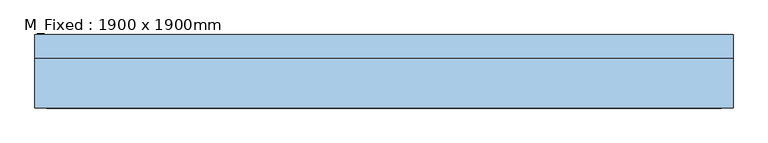
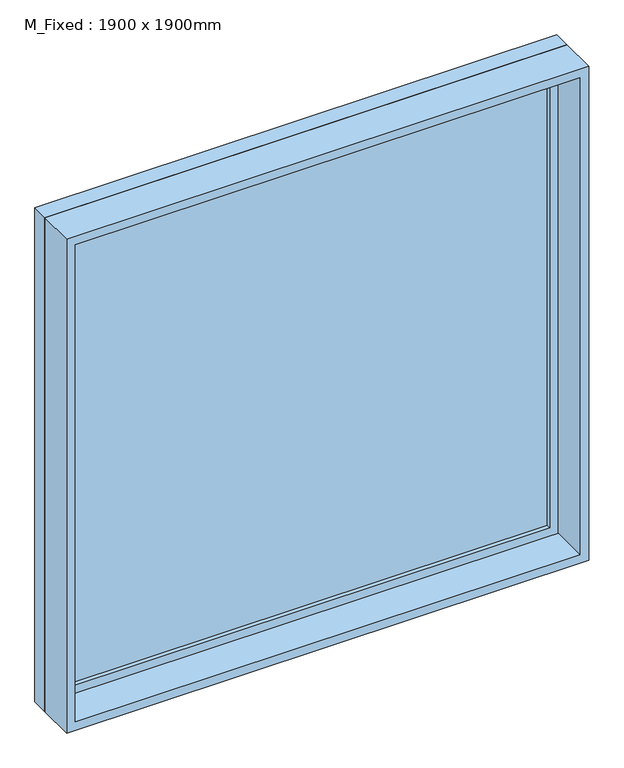
"""IFC4 building model written with IfcOpenShell, lengths in millimetres: window geometry, M_Fixed : 1900 x 1900mm."""

import ifcopenshell
import ifcopenshell.guid

model = None  # the IFC model being written
_history = None  # IfcOwnerHistory: only IFC2X3 demands one
_inside = {}  # id of a spatial element -> (the spatial element, [elements in it])
_under = {}  # id of a project, library or spatial element -> (it, [spatial elements below it])
_declared = {}  # id of a project -> (the project, [libraries it declares])
_typed = {}  # id of a type object -> (the type object, [elements of that type])
_made_of = {}  # id of a material, layer set ... -> (it, [elements and type objects made of it])


def new_model(schema):
    """Start an empty IFC model of exactly this schema.

    Asked for "IFC4X3", IfcOpenShell would pick the latest addendum, in which some entities
    have other attributes; the version numbers below select the first issue.
    IFC2X3 requires an IfcOwnerHistory on every rooted entity: one is made here for all.
    """
    global model, _history
    if schema == "IFC4X3":
        model = ifcopenshell.file(schema_version=(4, 3, 0, 0))
    else:
        model = ifcopenshell.file(schema=schema)
    _inside.clear()
    _under.clear()
    _declared.clear()
    _typed.clear()
    _made_of.clear()
    _history = None
    if model.schema == "IFC2X3":
        org = make("IfcOrganization", Name="unknown")
        user = make(
            "IfcPersonAndOrganization",
            ThePerson=make("IfcPerson", FamilyName="unknown"),
            TheOrganization=org,
        )
        app = make(
            "IfcApplication",
            ApplicationDeveloper=org,
            Version="unknown",
            ApplicationFullName="unknown",
            ApplicationIdentifier="unknown",
        )
        _history = make(
            "IfcOwnerHistory",
            OwningUser=user,
            OwningApplication=app,
            ChangeAction="ADDED",
            CreationDate=0,
        )
    return model


def make(cls, **values):
    """One entity of the class cls with the attributes given. An attribute that is None is left unset."""
    return model.create_entity(
        cls, **{name: value for name, value in values.items() if value is not None}
    )


def rooted(cls, **values):
    """An entity with a GlobalId (a new one), such as an element, a storey or a relation."""
    return make(cls, GlobalId=ifcopenshell.guid.new(), OwnerHistory=_history, **values)


def si_unit(unit_type, name, prefix=None):
    """IfcSIUnit, for example si_unit("LENGTHUNIT", "METRE", prefix="MILLI")."""
    return make("IfcSIUnit", UnitType=unit_type, Prefix=prefix, Name=name)


def assignment(units):
    """IfcUnitAssignment: the units of a project."""
    return None if units is None else make("IfcUnitAssignment", Units=units)


def point(xyz):
    """IfcCartesianPoint."""
    return None if xyz is None else make("IfcCartesianPoint", Coordinates=xyz)


def direction(xyz):
    """IfcDirection."""
    return None if xyz is None else make("IfcDirection", DirectionRatios=xyz)


def frame(location, z_axis=None, x_axis=None):
    """IfcAxis2Placement3D, a coordinate frame: its origin and axes. An axis left out is left unset."""
    return make(
        "IfcAxis2Placement3D",
        Location=point(location),
        Axis=direction(z_axis),
        RefDirection=direction(x_axis),
    )


def origin():
    """The frame at (0, 0, 0) with its axes left unset."""
    return frame((0.0, 0.0, 0.0))


def place(relative_to, where):
    """IfcLocalPlacement: puts the frame where relative to a parent placement (None: the world)."""
    return make(
        "IfcLocalPlacement", PlacementRelTo=relative_to, RelativePlacement=where
    )


def context(
    kind, dimensions, precision=None, world=None, true_north=None, identifier=None
):
    """IfcGeometricRepresentationContext, for example the 3D "Model" context."""
    return make(
        "IfcGeometricRepresentationContext",
        ContextIdentifier=identifier,
        ContextType=kind,
        CoordinateSpaceDimension=dimensions,
        Precision=precision,
        WorldCoordinateSystem=world,
        TrueNorth=true_north,
    )


def project(units=None, contexts=None):
    """IfcProject with its units and contexts."""
    return rooted(
        "IfcProject",
        Name="project",
        RepresentationContexts=contexts,
        UnitsInContext=assignment(units),
    )


def spatial(cls, under=None, at=None, **own):
    """A site, building, storey or space (cls), placed at a placement, below another one or the project."""
    s = rooted(cls, ObjectPlacement=at, **own)
    if under is not None:
        _under.setdefault(under.id(), (under, []))[1].append(s)
    return s


def polyline(points):
    """IfcPolyline through the points."""
    return make("IfcPolyline", Points=[point(p) for p in points])


def outline(outer, holes=None, kind="AREA"):
    """IfcArbitraryClosedProfileDef: a profile drawn as a closed curve; with holes, ...WithVoids."""
    if holes is None:
        return make("IfcArbitraryClosedProfileDef", ProfileType=kind, OuterCurve=outer)
    return make(
        "IfcArbitraryProfileDefWithVoids",
        ProfileType=kind,
        OuterCurve=outer,
        InnerCurves=holes,
    )


def extrude(swept, where, along, depth):
    """IfcExtrudedAreaSolid: the profile swept, set in the frame where, extruded along a direction by depth."""
    return make(
        "IfcExtrudedAreaSolid",
        SweptArea=swept,
        Position=where,
        ExtrudedDirection=direction(along),
        Depth=depth,
    )


def shape(context_of_items, identifier, shape_type, items):
    """IfcShapeRepresentation: the items that make up one representation, for example the "Body"."""
    return make(
        "IfcShapeRepresentation",
        ContextOfItems=context_of_items,
        RepresentationIdentifier=identifier,
        RepresentationType=shape_type,
        Items=items,
    )


def source(mapping_origin, context_of_items, identifier, shape_type, items):
    """IfcRepresentationMap: a shape defined once, which mapped items show again and again."""
    return make(
        "IfcRepresentationMap",
        MappingOrigin=mapping_origin,
        MappedRepresentation=shape(context_of_items, identifier, shape_type, items),
    )


def transform(
    local_origin,
    x_axis=None,
    y_axis=None,
    z_axis=None,
    scale=None,
    scale2=None,
    scale3=None,
    uniform=True,
):
    """IfcCartesianTransformationOperator3D, or its non-uniform kind. x_axis, y_axis, z_axis: its Axis1, 2, 3."""
    if uniform:
        return make(
            "IfcCartesianTransformationOperator3D",
            Axis1=direction(x_axis),
            Axis2=direction(y_axis),
            LocalOrigin=point(local_origin),
            Scale=scale,
            Axis3=direction(z_axis),
        )
    return make(
        "IfcCartesianTransformationOperator3DnonUniform",
        Axis1=direction(x_axis),
        Axis2=direction(y_axis),
        LocalOrigin=point(local_origin),
        Scale=scale,
        Axis3=direction(z_axis),
        Scale2=scale2,
        Scale3=scale3,
    )


def mapped(mapping_source, mapping_target):
    """IfcMappedItem: shows the shape of a source again, moved by a transform."""
    return make(
        "IfcMappedItem", MappingSource=mapping_source, MappingTarget=mapping_target
    )


def made_of(thing, what):
    """Note that an element or type object is made of a material, layer set ...; save() writes the relation."""
    if what is not None:
        _made_of.setdefault(what.id(), (what, []))[1].append(thing)
    return thing


def element(
    cls,
    number,
    at=None,
    inside=None,
    cuts=None,
    type_object=None,
    material=None,
    context=None,
    identifier="Body",
    shape_type=None,
    held_by="IfcProductDefinitionShape",
    body=None,
    shapes=None,
    **own,
):
    """One element of the class cls, such as IfcWall. Its Tag is "e" and its number.

    at: its placement. inside: the storey or other place that contains it. cuts: it is an
    opening in that element (IfcRelVoidsElement). A single representation is given by context,
    identifier, shape_type and body (its items); several are given by shapes. held_by: the class
    of the entity that holds the representations. save() writes the other relations.
    """
    e = rooted(cls, Tag="e%d" % number, ObjectPlacement=at, **own)
    if body is not None:
        shapes = [shape(context, identifier, shape_type, body)]
    if shapes is not None:
        e.Representation = make(held_by, Representations=shapes)
    if inside is not None:
        _inside.setdefault(inside.id(), (inside, []))[1].append(e)
    if cuts is not None:
        rooted(
            "IfcRelVoidsElement", RelatingBuildingElement=cuts, RelatedOpeningElement=e
        )
    if type_object is not None:
        _typed.setdefault(type_object.id(), (type_object, []))[1].append(e)
    return made_of(e, material)


def aggregate(whole, parts):
    """IfcRelAggregates: a whole, such as a stair, and the parts it consists of."""
    return rooted("IfcRelAggregates", RelatingObject=whole, RelatedObjects=parts)


def save(model, path):
    """Write the relations noted so far, then the file.

    IfcRelAggregates (storeys below a building ...), IfcRelContainedInSpatialStructure (elements
    in a storey), IfcRelDefinesByType, IfcRelAssociatesMaterial and IfcRelDeclares: one each for
    every whole, place, type object, material and project.
    """
    for whole, parts in _under.values():
        aggregate(whole, parts)
    for where, things in _inside.values():
        rooted(
            "IfcRelContainedInSpatialStructure",
            RelatedElements=things,
            RelatingStructure=where,
        )
    for kind, things in _typed.values():
        rooted("IfcRelDefinesByType", RelatedObjects=things, RelatingType=kind)
    for what, things in _made_of.values():
        rooted("IfcRelAssociatesMaterial", RelatedObjects=things, RelatingMaterial=what)
    for by, libraries in _declared.values():
        rooted("IfcRelDeclares", RelatingContext=by, RelatedDefinitions=libraries)
    model.write(path)


def m_fixed_1900_x_1900mm_dffe8a63(model_context):
    return source(origin(), model_context, "Body", "SweptSolid", [
        extrude(outline(polyline([(-887.0, 78.0), (887.0, 78.0), (887.0, 66.0), (-887.0, 66.0), (-887.0, 78.0)])), frame((0.0, 0.0, 368.0), z_axis=(0.0, 0.0, 1.0), x_axis=(1.0, 0.0, 0.0)), (0.0, 0.0, 1.0), 1774.0),
        extrude(outline(polyline([(2186.0, -931.0), (324.0, -931.0), (324.0, 931.0), (2186.0, 931.0), (2186.0, -931.0)]), holes=[polyline([(2142.0, -887.0), (2142.0, 887.0), (368.0, 887.0), (368.0, -887.0), (2142.0, -887.0)])]), frame((0.0, 50.0, 0.0), z_axis=(0.0, 1.0, 0.0), x_axis=(0.0, 0.0, 1.0)), (0.0, 0.0, 1.0), 44.0),
        extrude(outline(polyline([(2205.0, -950.0), (305.0, -950.0), (305.0, 950.0), (2205.0, 950.0), (2205.0, -950.0)]), holes=[polyline([(2186.0, -931.0), (2186.0, 931.0), (324.0, 931.0), (324.0, -931.0), (2186.0, -931.0)])]), frame((0.0, 50.0, 0.0), z_axis=(0.0, 1.0, 0.0), x_axis=(0.0, 0.0, 1.0)), (0.0, 0.0, 1.0), 63.0),
        extrude(outline(polyline([(2205.0, -950.0), (305.0, -950.0), (305.0, 950.0), (2205.0, 950.0), (2205.0, -950.0)]), holes=[polyline([(2173.0, -918.0), (2173.0, 918.0), (337.0, 918.0), (337.0, -918.0), (2173.0, -918.0)])]), frame((0.0, -87.0, 0.0), z_axis=(0.0, 1.0, 0.0), x_axis=(0.0, 0.0, 1.0)), (0.0, 0.0, 1.0), 137.0),
    ])


if __name__ == "__main__":
    model = new_model("IFC4")
    model_context = context("Model", 3, world=origin())
    ifc_project = project(units=[si_unit("LENGTHUNIT", "METRE", prefix="MILLI")], contexts=[model_context])
    site = spatial("IfcSite", under=ifc_project)
    building = spatial("IfcBuilding", under=site)
    placement = place(None, origin())
    m_fixed_1900_x_1900mm_shape = m_fixed_1900_x_1900mm_dffe8a63(model_context)
    element("IfcWindow", 1, ObjectType="M_Fixed : 1900 x 1900mm", at=placement, inside=building, context=model_context, shape_type="MappedRepresentation", body=[
        mapped(m_fixed_1900_x_1900mm_shape, transform((0.0, 0.0, 0.0), x_axis=(1.0, 0.0, 0.0), y_axis=(0.0, 1.0, 0.0), z_axis=(0.0, 0.0, 1.0))),
    ])
    save(model, "model.ifc")
